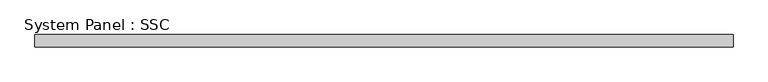
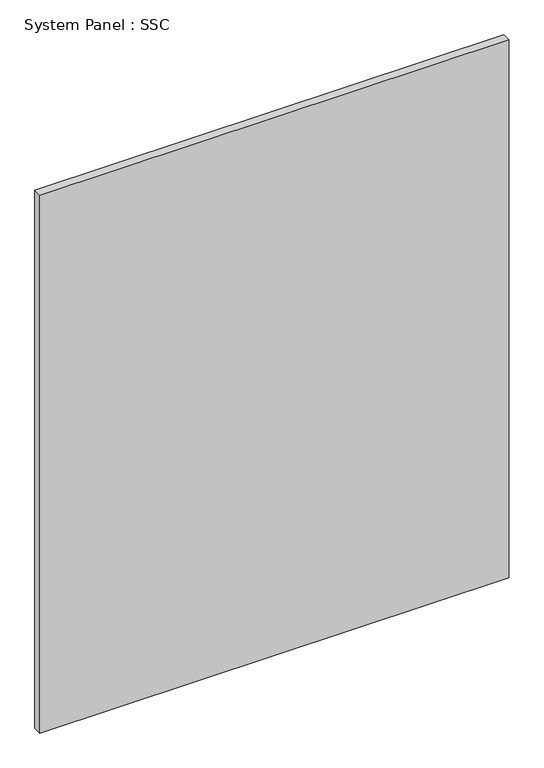
"""IFC4 building model written with IfcOpenShell, lengths in millimetres: plate geometry, System Panel : SSC."""

import ifcopenshell
import ifcopenshell.guid

model = None  # the IFC model being written
_history = None  # IfcOwnerHistory: only IFC2X3 demands one
_inside = {}  # id of a spatial element -> (the spatial element, [elements in it])
_under = {}  # id of a project, library or spatial element -> (it, [spatial elements below it])
_declared = {}  # id of a project -> (the project, [libraries it declares])
_typed = {}  # id of a type object -> (the type object, [elements of that type])
_made_of = {}  # id of a material, layer set ... -> (it, [elements and type objects made of it])


def new_model(schema):
    """Start an empty IFC model of exactly this schema.

    Asked for "IFC4X3", IfcOpenShell would pick the latest addendum, in which some entities
    have other attributes; the version numbers below select the first issue.
    IFC2X3 requires an IfcOwnerHistory on every rooted entity: one is made here for all.
    """
    global model, _history
    if schema == "IFC4X3":
        model = ifcopenshell.file(schema_version=(4, 3, 0, 0))
    else:
        model = ifcopenshell.file(schema=schema)
    _inside.clear()
    _under.clear()
    _declared.clear()
    _typed.clear()
    _made_of.clear()
    _history = None
    if model.schema == "IFC2X3":
        org = make("IfcOrganization", Name="unknown")
        user = make(
            "IfcPersonAndOrganization",
            ThePerson=make("IfcPerson", FamilyName="unknown"),
            TheOrganization=org,
        )
        app = make(
            "IfcApplication",
            ApplicationDeveloper=org,
            Version="unknown",
            ApplicationFullName="unknown",
            ApplicationIdentifier="unknown",
        )
        _history = make(
            "IfcOwnerHistory",
            OwningUser=user,
            OwningApplication=app,
            ChangeAction="ADDED",
            CreationDate=0,
        )
    return model


def make(cls, **values):
    """One entity of the class cls with the attributes given. An attribute that is None is left unset."""
    return model.create_entity(
        cls, **{name: value for name, value in values.items() if value is not None}
    )


def rooted(cls, **values):
    """An entity with a GlobalId (a new one), such as an element, a storey or a relation."""
    return make(cls, GlobalId=ifcopenshell.guid.new(), OwnerHistory=_history, **values)


def si_unit(unit_type, name, prefix=None):
    """IfcSIUnit, for example si_unit("LENGTHUNIT", "METRE", prefix="MILLI")."""
    return make("IfcSIUnit", UnitType=unit_type, Prefix=prefix, Name=name)


def assignment(units):
    """IfcUnitAssignment: the units of a project."""
    return None if units is None else make("IfcUnitAssignment", Units=units)


def point(xyz):
    """IfcCartesianPoint."""
    return None if xyz is None else make("IfcCartesianPoint", Coordinates=xyz)


def direction(xyz):
    """IfcDirection."""
    return None if xyz is None else make("IfcDirection", DirectionRatios=xyz)


def frame(location, z_axis=None, x_axis=None):
    """IfcAxis2Placement3D, a coordinate frame: its origin and axes. An axis left out is left unset."""
    return make(
        "IfcAxis2Placement3D",
        Location=point(location),
        Axis=direction(z_axis),
        RefDirection=direction(x_axis),
    )


def origin():
    """The frame at (0, 0, 0) with its axes left unset."""
    return frame((0.0, 0.0, 0.0))


def origin_with_axes():
    """The frame at (0, 0, 0) with the z axis (0, 0, 1) and the x axis (1, 0, 0) written out."""
    return frame((0.0, 0.0, 0.0), z_axis=(0.0, 0.0, 1.0), x_axis=(1.0, 0.0, 0.0))


def place(relative_to, where):
    """IfcLocalPlacement: puts the frame where relative to a parent placement (None: the world)."""
    return make(
        "IfcLocalPlacement", PlacementRelTo=relative_to, RelativePlacement=where
    )


def context(
    kind, dimensions, precision=None, world=None, true_north=None, identifier=None
):
    """IfcGeometricRepresentationContext, for example the 3D "Model" context."""
    return make(
        "IfcGeometricRepresentationContext",
        ContextIdentifier=identifier,
        ContextType=kind,
        CoordinateSpaceDimension=dimensions,
        Precision=precision,
        WorldCoordinateSystem=world,
        TrueNorth=true_north,
    )


def project(units=None, contexts=None):
    """IfcProject with its units and contexts."""
    return rooted(
        "IfcProject",
        Name="project",
        RepresentationContexts=contexts,
        UnitsInContext=assignment(units),
    )


def spatial(cls, under=None, at=None, **own):
    """A site, building, storey or space (cls), placed at a placement, below another one or the project."""
    s = rooted(cls, ObjectPlacement=at, **own)
    if under is not None:
        _under.setdefault(under.id(), (under, []))[1].append(s)
    return s


def polyline(points):
    """IfcPolyline through the points."""
    return make("IfcPolyline", Points=[point(p) for p in points])


def outline(outer, holes=None, kind="AREA"):
    """IfcArbitraryClosedProfileDef: a profile drawn as a closed curve; with holes, ...WithVoids."""
    if holes is None:
        return make("IfcArbitraryClosedProfileDef", ProfileType=kind, OuterCurve=outer)
    return make(
        "IfcArbitraryProfileDefWithVoids",
        ProfileType=kind,
        OuterCurve=outer,
        InnerCurves=holes,
    )


def extrude(swept, where, along, depth):
    """IfcExtrudedAreaSolid: the profile swept, set in the frame where, extruded along a direction by depth."""
    return make(
        "IfcExtrudedAreaSolid",
        SweptArea=swept,
        Position=where,
        ExtrudedDirection=direction(along),
        Depth=depth,
    )


def shape(context_of_items, identifier, shape_type, items):
    """IfcShapeRepresentation: the items that make up one representation, for example the "Body"."""
    return make(
        "IfcShapeRepresentation",
        ContextOfItems=context_of_items,
        RepresentationIdentifier=identifier,
        RepresentationType=shape_type,
        Items=items,
    )


def source(mapping_origin, context_of_items, identifier, shape_type, items):
    """IfcRepresentationMap: a shape defined once, which mapped items show again and again."""
    return make(
        "IfcRepresentationMap",
        MappingOrigin=mapping_origin,
        MappedRepresentation=shape(context_of_items, identifier, shape_type, items),
    )


def transform(
    local_origin,
    x_axis=None,
    y_axis=None,
    z_axis=None,
    scale=None,
    scale2=None,
    scale3=None,
    uniform=True,
):
    """IfcCartesianTransformationOperator3D, or its non-uniform kind. x_axis, y_axis, z_axis: its Axis1, 2, 3."""
    if uniform:
        return make(
            "IfcCartesianTransformationOperator3D",
            Axis1=direction(x_axis),
            Axis2=direction(y_axis),
            LocalOrigin=point(local_origin),
            Scale=scale,
            Axis3=direction(z_axis),
        )
    return make(
        "IfcCartesianTransformationOperator3DnonUniform",
        Axis1=direction(x_axis),
        Axis2=direction(y_axis),
        LocalOrigin=point(local_origin),
        Scale=scale,
        Axis3=direction(z_axis),
        Scale2=scale2,
        Scale3=scale3,
    )


def mapped(mapping_source, mapping_target):
    """IfcMappedItem: shows the shape of a source again, moved by a transform."""
    return make(
        "IfcMappedItem", MappingSource=mapping_source, MappingTarget=mapping_target
    )


def made_of(thing, what):
    """Note that an element or type object is made of a material, layer set ...; save() writes the relation."""
    if what is not None:
        _made_of.setdefault(what.id(), (what, []))[1].append(thing)
    return thing


def element(
    cls,
    number,
    at=None,
    inside=None,
    cuts=None,
    type_object=None,
    material=None,
    context=None,
    identifier="Body",
    shape_type=None,
    held_by="IfcProductDefinitionShape",
    body=None,
    shapes=None,
    **own,
):
    """One element of the class cls, such as IfcWall. Its Tag is "e" and its number.

    at: its placement. inside: the storey or other place that contains it. cuts: it is an
    opening in that element (IfcRelVoidsElement). A single representation is given by context,
    identifier, shape_type and body (its items); several are given by shapes. held_by: the class
    of the entity that holds the representations. save() writes the other relations.
    """
    e = rooted(cls, Tag="e%d" % number, ObjectPlacement=at, **own)
    if body is not None:
        shapes = [shape(context, identifier, shape_type, body)]
    if shapes is not None:
        e.Representation = make(held_by, Representations=shapes)
    if inside is not None:
        _inside.setdefault(inside.id(), (inside, []))[1].append(e)
    if cuts is not None:
        rooted(
            "IfcRelVoidsElement", RelatingBuildingElement=cuts, RelatedOpeningElement=e
        )
    if type_object is not None:
        _typed.setdefault(type_object.id(), (type_object, []))[1].append(e)
    return made_of(e, material)


def aggregate(whole, parts):
    """IfcRelAggregates: a whole, such as a stair, and the parts it consists of."""
    return rooted("IfcRelAggregates", RelatingObject=whole, RelatedObjects=parts)


def save(model, path):
    """Write the relations noted so far, then the file.

    IfcRelAggregates (storeys below a building ...), IfcRelContainedInSpatialStructure (elements
    in a storey), IfcRelDefinesByType, IfcRelAssociatesMaterial and IfcRelDeclares: one each for
    every whole, place, type object, material and project.
    """
    for whole, parts in _under.values():
        aggregate(whole, parts)
    for where, things in _inside.values():
        rooted(
            "IfcRelContainedInSpatialStructure",
            RelatedElements=things,
            RelatingStructure=where,
        )
    for kind, things in _typed.values():
        rooted("IfcRelDefinesByType", RelatedObjects=things, RelatingType=kind)
    for what, things in _made_of.values():
        rooted("IfcRelAssociatesMaterial", RelatedObjects=things, RelatingMaterial=what)
    for by, libraries in _declared.values():
        rooted("IfcRelDeclares", RelatingContext=by, RelatedDefinitions=libraries)
    model.write(path)


def system_panel_ssc_2e00f368(model_context):
    return source(origin(), model_context, "Body", "SweptSolid", [
        extrude(outline(polyline([(720.725, -12.7), (-720.725, -12.7), (-720.725, 12.7), (720.725, 12.7), (720.725, -12.7)])), origin_with_axes(), (0.0, 0.0, 1.0), 1746.25),
    ])


if __name__ == "__main__":
    model = new_model("IFC4")
    model_context = context("Model", 3, world=origin())
    ifc_project = project(units=[si_unit("LENGTHUNIT", "METRE", prefix="MILLI")], contexts=[model_context])
    site = spatial("IfcSite", under=ifc_project)
    building = spatial("IfcBuilding", under=site)
    placement = place(None, origin())
    system_panel_ssc_shape = system_panel_ssc_2e00f368(model_context)
    element("IfcPlate", 1, ObjectType="System Panel : SSC", at=placement, inside=building, context=model_context, shape_type="MappedRepresentation", body=[
        mapped(system_panel_ssc_shape, transform((0.0, 0.0, 0.0), x_axis=(1.0, 0.0, 0.0), y_axis=(0.0, 1.0, 0.0), z_axis=(0.0, 0.0, 1.0))),
    ])
    save(model, "model.ifc")
